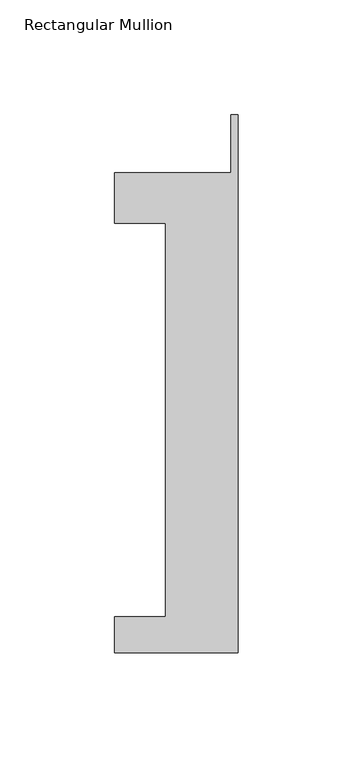
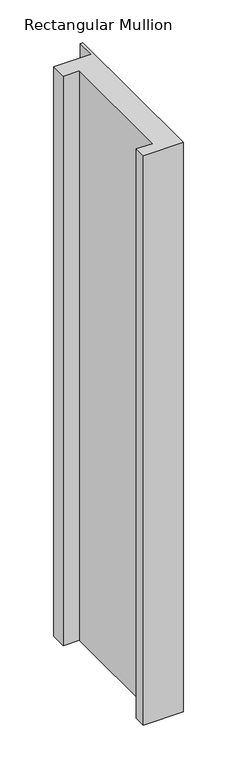
"""IFC4 building model written with IfcOpenShell, lengths in millimetres: member geometry, Rectangular Mullion."""

from ifc_helpers import new_model, si_unit, frame, origin, place, context, project, spatial, polyline, outline, extrude, source, transform, mapped, element, save


def rectangular_mullion_0c6f3691(model_context):
    return source(origin(), model_context, "Body", "SweptSolid", [
        extrude(outline(polyline([(-53.975, -221.996), (-53.975, -206.121), (-31.75, -206.121), (-31.75, -34.671), (-53.975, -34.671), (-53.975, -12.7), (-3.175, -12.7), (-3.175, 12.7), (0.0, 12.7), (0.0, -221.996), (-53.975, -221.996)])), frame((0.0, 0.0, -812.8), z_axis=(0.0, 0.0, 1.0), x_axis=(1.0, 0.0, 0.0)), (0.0, 0.0, 1.0), 812.8),
    ])


if __name__ == "__main__":
    model = new_model("IFC4")
    model_context = context("Model", 3, world=origin())
    ifc_project = project(units=[si_unit("LENGTHUNIT", "METRE", prefix="MILLI")], contexts=[model_context])
    site = spatial("IfcSite", under=ifc_project)
    building = spatial("IfcBuilding", under=site)
    placement = place(None, origin())
    rectangular_mullion_shape = rectangular_mullion_0c6f3691(model_context)
    element("IfcMember", 1, ObjectType="Rectangular Mullion", at=placement, inside=building, context=model_context, shape_type="MappedRepresentation", body=[
        mapped(rectangular_mullion_shape, transform((0.0, 0.0, 0.0), x_axis=(1.0, 0.0, 0.0), y_axis=(0.0, 1.0, 0.0), z_axis=(0.0, 0.0, 1.0))),
    ])
    save(model, "model.ifc")
